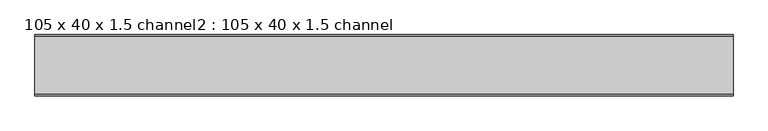
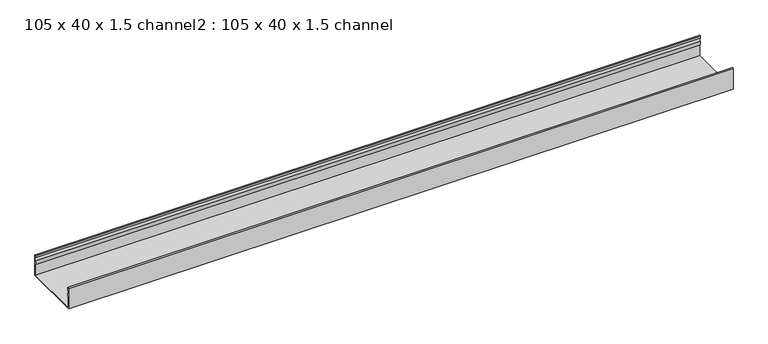
"""IFC4 building model written with IfcOpenShell, lengths in millimetres: proxy geometry, 105 x 40 x 1.5 channel2 : 105 x 40 x 1.5 channel."""

from ifc_helpers import new_model, si_unit, point, frame, frame_2d, origin, place, context, project, spatial, polyline, circle_curve, trimmed, segment, composite_curve, outline, extrude, source, transform, mapped, element, save


def proxy_105_x_40_x_1_5_channel2_105_x_40_x_1_5_channel_6002a52b(model_context):
    return source(origin(), model_context, "Body", "SweptSolid", [
        extrude(outline(composite_curve([segment(trimmed(circle_curve(frame_2d((-25047.5343538, 32.0)), 10.0), [point((-25037.9590458, 29.1166898))], [point((-25037.9590458, 34.8833102))], True, "CARTESIAN"), True, "CONTINUOUS"), segment(polyline([(-25037.9590458, 34.8833102), (-25038.5343538, 38.8)]), True, "CONTINUOUS"), segment(trimmed(circle_curve(frame_2d((-25037.3343538, 38.8)), 1.2), [point((-25038.5343538, 38.8))], [point((-25036.1343538, 38.8))], False, "CARTESIAN"), True, "CONTINUOUS"), segment(polyline([(-25036.1343538, 38.8), (-25036.1343538, 0.0), (-25141.4343538, 0.0), (-25141.4343538, 38.8)]), True, "CONTINUOUS"), segment(trimmed(circle_curve(frame_2d((-25140.2343538, 38.8)), 1.2), [point((-25141.4343538, 38.8))], [point((-25139.0343538, 38.8))], False, "CARTESIAN"), True, "CONTINUOUS"), segment(polyline([(-25139.0343538, 38.8), (-25139.6096617, 34.8833102)]), True, "CONTINUOUS"), segment(trimmed(circle_curve(frame_2d((-25130.0343538, 32.0)), 10.0), [point((-25139.6096617, 34.8833102))], [point((-25139.6096617, 29.1166898))], True, "CARTESIAN"), True, "CONTINUOUS"), segment(trimmed(circle_curve(frame_2d((-25149.0343538, 25.77376)), 10.0), [point((-25139.6096617, 29.1166898))], [point((-25140.0343538, 21.4148611))], False, "CARTESIAN"), True, "CONTINUOUS"), segment(polyline([(-25140.0343538, 21.4148611), (-25140.0343538, 1.4), (-25037.5343538, 1.4), (-25037.5343538, 21.4148611)]), True, "CONTINUOUS"), segment(trimmed(circle_curve(frame_2d((-25028.5343538, 25.77376)), 10.0), [point((-25037.5343538, 21.4148611))], [point((-25037.9590458, 29.1166898))], False, "CARTESIAN"), True, "CONTINUOUS")], self_intersect=False)), frame((-5243.7355594, 0.0, 0.0), z_axis=(1.0, 0.0, 0.0), x_axis=(0.0, 1.0, 0.0)), (0.0, 0.0, 1.0), 1200.1845315),
    ])


if __name__ == "__main__":
    model = new_model("IFC4")
    model_context = context("Model", 3, world=origin())
    ifc_project = project(units=[si_unit("LENGTHUNIT", "METRE", prefix="MILLI")], contexts=[model_context])
    site = spatial("IfcSite", under=ifc_project)
    building = spatial("IfcBuilding", under=site)
    placement = place(None, origin())
    proxy_105_x_40_x_1_5_channel2_105_x_40_x_1_5_channel_shape = proxy_105_x_40_x_1_5_channel2_105_x_40_x_1_5_channel_6002a52b(model_context)
    element("IfcBuildingElementProxy", 1, Name="105 x 40 x 1.5 channel2 : 105 x 40 x 1.5 channel", ObjectType="105 x 40 x 1.5 channel2 : 105 x 40 x 1.5 channel", at=placement, inside=building, context=model_context, shape_type="MappedRepresentation", body=[
        mapped(proxy_105_x_40_x_1_5_channel2_105_x_40_x_1_5_channel_shape, transform((0.0, 0.0, 0.0), x_axis=(1.0, 0.0, 0.0), y_axis=(0.0, 1.0, 0.0), z_axis=(0.0, 0.0, 1.0))),
    ])
    save(model, "model.ifc")
